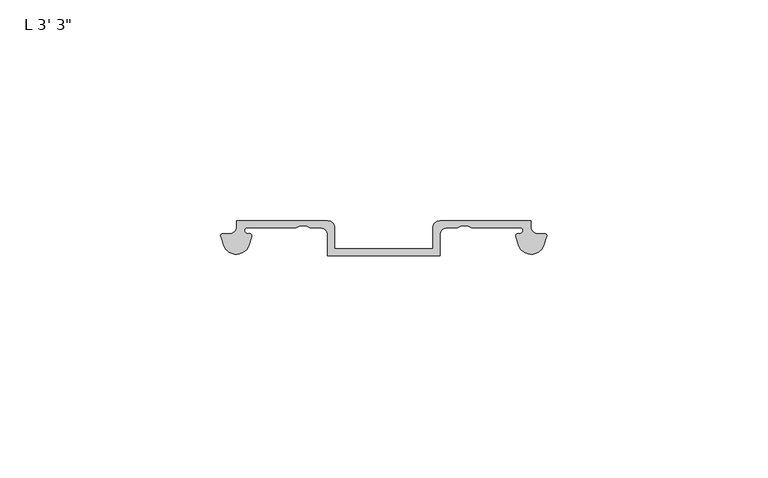
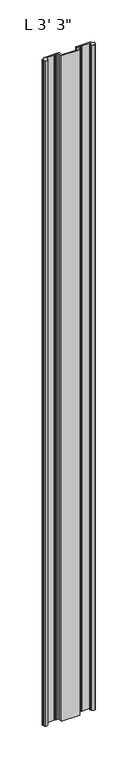
"""IFC4 building model written with IfcOpenShell, lengths in millimetres: proxy geometry."""

import ifcopenshell
import ifcopenshell.guid

model = None  # the IFC model being written
_history = None  # IfcOwnerHistory: only IFC2X3 demands one
_inside = {}  # id of a spatial element -> (the spatial element, [elements in it])
_under = {}  # id of a project, library or spatial element -> (it, [spatial elements below it])
_declared = {}  # id of a project -> (the project, [libraries it declares])
_typed = {}  # id of a type object -> (the type object, [elements of that type])
_made_of = {}  # id of a material, layer set ... -> (it, [elements and type objects made of it])


def new_model(schema):
    """Start an empty IFC model of exactly this schema.

    Asked for "IFC4X3", IfcOpenShell would pick the latest addendum, in which some entities
    have other attributes; the version numbers below select the first issue.
    IFC2X3 requires an IfcOwnerHistory on every rooted entity: one is made here for all.
    """
    global model, _history
    if schema == "IFC4X3":
        model = ifcopenshell.file(schema_version=(4, 3, 0, 0))
    else:
        model = ifcopenshell.file(schema=schema)
    _inside.clear()
    _under.clear()
    _declared.clear()
    _typed.clear()
    _made_of.clear()
    _history = None
    if model.schema == "IFC2X3":
        org = make("IfcOrganization", Name="unknown")
        user = make(
            "IfcPersonAndOrganization",
            ThePerson=make("IfcPerson", FamilyName="unknown"),
            TheOrganization=org,
        )
        app = make(
            "IfcApplication",
            ApplicationDeveloper=org,
            Version="unknown",
            ApplicationFullName="unknown",
            ApplicationIdentifier="unknown",
        )
        _history = make(
            "IfcOwnerHistory",
            OwningUser=user,
            OwningApplication=app,
            ChangeAction="ADDED",
            CreationDate=0,
        )
    return model


def make(cls, **values):
    """One entity of the class cls with the attributes given. An attribute that is None is left unset."""
    return model.create_entity(
        cls, **{name: value for name, value in values.items() if value is not None}
    )


def rooted(cls, **values):
    """An entity with a GlobalId (a new one), such as an element, a storey or a relation."""
    return make(cls, GlobalId=ifcopenshell.guid.new(), OwnerHistory=_history, **values)


def si_unit(unit_type, name, prefix=None):
    """IfcSIUnit, for example si_unit("LENGTHUNIT", "METRE", prefix="MILLI")."""
    return make("IfcSIUnit", UnitType=unit_type, Prefix=prefix, Name=name)


def assignment(units):
    """IfcUnitAssignment: the units of a project."""
    return None if units is None else make("IfcUnitAssignment", Units=units)


def point(xyz):
    """IfcCartesianPoint."""
    return None if xyz is None else make("IfcCartesianPoint", Coordinates=xyz)


def direction(xyz):
    """IfcDirection."""
    return None if xyz is None else make("IfcDirection", DirectionRatios=xyz)


def frame(location, z_axis=None, x_axis=None):
    """IfcAxis2Placement3D, a coordinate frame: its origin and axes. An axis left out is left unset."""
    return make(
        "IfcAxis2Placement3D",
        Location=point(location),
        Axis=direction(z_axis),
        RefDirection=direction(x_axis),
    )


def frame_2d(location, x_axis=None):
    """IfcAxis2Placement2D, a coordinate frame in the plane: its origin and x axis."""
    return make(
        "IfcAxis2Placement2D", Location=point(location), RefDirection=direction(x_axis)
    )


def origin():
    """The frame at (0, 0, 0) with its axes left unset."""
    return frame((0.0, 0.0, 0.0))


def origin_with_axes():
    """The frame at (0, 0, 0) with the z axis (0, 0, 1) and the x axis (1, 0, 0) written out."""
    return frame((0.0, 0.0, 0.0), z_axis=(0.0, 0.0, 1.0), x_axis=(1.0, 0.0, 0.0))


def place(relative_to, where):
    """IfcLocalPlacement: puts the frame where relative to a parent placement (None: the world)."""
    return make(
        "IfcLocalPlacement", PlacementRelTo=relative_to, RelativePlacement=where
    )


def context(
    kind, dimensions, precision=None, world=None, true_north=None, identifier=None
):
    """IfcGeometricRepresentationContext, for example the 3D "Model" context."""
    return make(
        "IfcGeometricRepresentationContext",
        ContextIdentifier=identifier,
        ContextType=kind,
        CoordinateSpaceDimension=dimensions,
        Precision=precision,
        WorldCoordinateSystem=world,
        TrueNorth=true_north,
    )


def project(units=None, contexts=None):
    """IfcProject with its units and contexts."""
    return rooted(
        "IfcProject",
        Name="project",
        RepresentationContexts=contexts,
        UnitsInContext=assignment(units),
    )


def spatial(cls, under=None, at=None, **own):
    """A site, building, storey or space (cls), placed at a placement, below another one or the project."""
    s = rooted(cls, ObjectPlacement=at, **own)
    if under is not None:
        _under.setdefault(under.id(), (under, []))[1].append(s)
    return s


def polyline(points):
    """IfcPolyline through the points."""
    return make("IfcPolyline", Points=[point(p) for p in points])


def circle_curve(where, radius):
    """IfcCircle in the frame where."""
    return make("IfcCircle", Position=where, Radius=radius)


def trimmed(basis, trim1, trim2, sense, master):
    """IfcTrimmedCurve: the piece of a basis curve between two trims."""
    return make(
        "IfcTrimmedCurve",
        BasisCurve=basis,
        Trim1=trim1,
        Trim2=trim2,
        SenseAgreement=sense,
        MasterRepresentation=master,
    )


def segment(curve, same_sense, transition):
    """IfcCompositeCurveSegment."""
    return make(
        "IfcCompositeCurveSegment",
        Transition=transition,
        SameSense=same_sense,
        ParentCurve=curve,
    )


def composite_curve(segments, self_intersect=None):
    """IfcCompositeCurve: segments joined end to end."""
    return make("IfcCompositeCurve", Segments=segments, SelfIntersect=self_intersect)


def outline(outer, holes=None, kind="AREA"):
    """IfcArbitraryClosedProfileDef: a profile drawn as a closed curve; with holes, ...WithVoids."""
    if holes is None:
        return make("IfcArbitraryClosedProfileDef", ProfileType=kind, OuterCurve=outer)
    return make(
        "IfcArbitraryProfileDefWithVoids",
        ProfileType=kind,
        OuterCurve=outer,
        InnerCurves=holes,
    )


def extrude(swept, where, along, depth):
    """IfcExtrudedAreaSolid: the profile swept, set in the frame where, extruded along a direction by depth."""
    return make(
        "IfcExtrudedAreaSolid",
        SweptArea=swept,
        Position=where,
        ExtrudedDirection=direction(along),
        Depth=depth,
    )


def shape(context_of_items, identifier, shape_type, items):
    """IfcShapeRepresentation: the items that make up one representation, for example the "Body"."""
    return make(
        "IfcShapeRepresentation",
        ContextOfItems=context_of_items,
        RepresentationIdentifier=identifier,
        RepresentationType=shape_type,
        Items=items,
    )


def source(mapping_origin, context_of_items, identifier, shape_type, items):
    """IfcRepresentationMap: a shape defined once, which mapped items show again and again."""
    return make(
        "IfcRepresentationMap",
        MappingOrigin=mapping_origin,
        MappedRepresentation=shape(context_of_items, identifier, shape_type, items),
    )


def transform(
    local_origin,
    x_axis=None,
    y_axis=None,
    z_axis=None,
    scale=None,
    scale2=None,
    scale3=None,
    uniform=True,
):
    """IfcCartesianTransformationOperator3D, or its non-uniform kind. x_axis, y_axis, z_axis: its Axis1, 2, 3."""
    if uniform:
        return make(
            "IfcCartesianTransformationOperator3D",
            Axis1=direction(x_axis),
            Axis2=direction(y_axis),
            LocalOrigin=point(local_origin),
            Scale=scale,
            Axis3=direction(z_axis),
        )
    return make(
        "IfcCartesianTransformationOperator3DnonUniform",
        Axis1=direction(x_axis),
        Axis2=direction(y_axis),
        LocalOrigin=point(local_origin),
        Scale=scale,
        Axis3=direction(z_axis),
        Scale2=scale2,
        Scale3=scale3,
    )


def mapped(mapping_source, mapping_target):
    """IfcMappedItem: shows the shape of a source again, moved by a transform."""
    return make(
        "IfcMappedItem", MappingSource=mapping_source, MappingTarget=mapping_target
    )


def made_of(thing, what):
    """Note that an element or type object is made of a material, layer set ...; save() writes the relation."""
    if what is not None:
        _made_of.setdefault(what.id(), (what, []))[1].append(thing)
    return thing


def element(
    cls,
    number,
    at=None,
    inside=None,
    cuts=None,
    type_object=None,
    material=None,
    context=None,
    identifier="Body",
    shape_type=None,
    held_by="IfcProductDefinitionShape",
    body=None,
    shapes=None,
    **own,
):
    """One element of the class cls, such as IfcWall. Its Tag is "e" and its number.

    at: its placement. inside: the storey or other place that contains it. cuts: it is an
    opening in that element (IfcRelVoidsElement). A single representation is given by context,
    identifier, shape_type and body (its items); several are given by shapes. held_by: the class
    of the entity that holds the representations. save() writes the other relations.
    """
    e = rooted(cls, Tag="e%d" % number, ObjectPlacement=at, **own)
    if body is not None:
        shapes = [shape(context, identifier, shape_type, body)]
    if shapes is not None:
        e.Representation = make(held_by, Representations=shapes)
    if inside is not None:
        _inside.setdefault(inside.id(), (inside, []))[1].append(e)
    if cuts is not None:
        rooted(
            "IfcRelVoidsElement", RelatingBuildingElement=cuts, RelatedOpeningElement=e
        )
    if type_object is not None:
        _typed.setdefault(type_object.id(), (type_object, []))[1].append(e)
    return made_of(e, material)


def aggregate(whole, parts):
    """IfcRelAggregates: a whole, such as a stair, and the parts it consists of."""
    return rooted("IfcRelAggregates", RelatingObject=whole, RelatedObjects=parts)


def save(model, path):
    """Write the relations noted so far, then the file.

    IfcRelAggregates (storeys below a building ...), IfcRelContainedInSpatialStructure (elements
    in a storey), IfcRelDefinesByType, IfcRelAssociatesMaterial and IfcRelDeclares: one each for
    every whole, place, type object, material and project.
    """
    for whole, parts in _under.values():
        aggregate(whole, parts)
    for where, things in _inside.values():
        rooted(
            "IfcRelContainedInSpatialStructure",
            RelatedElements=things,
            RelatingStructure=where,
        )
    for kind, things in _typed.values():
        rooted("IfcRelDefinesByType", RelatedObjects=things, RelatingType=kind)
    for what, things in _made_of.values():
        rooted("IfcRelAssociatesMaterial", RelatedObjects=things, RelatingMaterial=what)
    for by, libraries in _declared.values():
        rooted("IfcRelDeclares", RelatingContext=by, RelatedDefinitions=libraries)
    model.write(path)


def proxy_7aef16ee(model_context):
    return source(origin(), model_context, "Body", "SweptSolid", [
        extrude(outline(composite_curve([segment(trimmed(circle_curve(frame_2d((70.2720899, 3.4356808)), 3.048), [point((73.1816666, 2.5275687))], [point((71.8595899, 0.8337301))], False, "CARTESIAN"), True, "CONTINUOUS"), segment(trimmed(circle_curve(frame_2d((70.2720899, 3.4356808)), 3.048), [point((71.8595899, 0.8337301))], [point((67.3625133, 2.5275687))], False, "CARTESIAN"), True, "CONTINUOUS"), segment(polyline([(67.3625133, 2.5275687), (66.8018542, 4.3239113)]), True, "CONTINUOUS"), segment(trimmed(circle_curve(frame_2d((67.3405556, 4.5120238)), 0.5706009), [point((66.8018542, 4.3239113))], [point((67.4796278, 5.0654173))], False, "CARTESIAN"), True, "CONTINUOUS"), segment(trimmed(circle_curve(frame_2d((67.6653497, 5.8044378)), 0.762), [point((67.4796278, 5.0654173))], [point((68.4270691, 5.8251166))], True, "CARTESIAN"), True, "CONTINUOUS"), segment(trimmed(circle_curve(frame_2d((67.9193497, 5.842)), 0.508), [point((68.4270691, 5.8251166))], [point((67.9193497, 6.35))], True, "CARTESIAN"), True, "CONTINUOUS"), segment(polyline([(67.9193497, 6.35), (56.7317377, 6.35), (55.8143181, 6.8591639), (54.4741573, 6.8591639), (53.5567377, 6.35), (51.1781092, 6.35)]), True, "CONTINUOUS"), segment(trimmed(circle_curve(frame_2d((51.1781092, 4.7625)), 1.5875), [point((51.1781092, 6.35))], [point((49.5906092, 4.7625))], True, "CARTESIAN"), True, "CONTINUOUS"), segment(polyline([(49.5906092, 4.7625), (49.5906092, 0.0), (24.1637653, 0.0), (24.1637653, 4.7625)]), True, "CONTINUOUS"), segment(trimmed(circle_curve(frame_2d((22.5762653, 4.7625)), 1.5875), [point((24.1637653, 4.7625))], [point((22.5762653, 6.35))], True, "CARTESIAN"), True, "CONTINUOUS"), segment(polyline([(22.5762653, 6.35), (20.1976368, 6.35), (19.2802172, 6.8591639), (17.9400565, 6.8591639), (17.0226368, 6.35), (5.8350248, 6.35)]), True, "CONTINUOUS"), segment(trimmed(circle_curve(frame_2d((5.8350248, 5.842)), 0.508), [point((5.8350248, 6.35))], [point((5.3273054, 5.8251166))], True, "CARTESIAN"), True, "CONTINUOUS"), segment(trimmed(circle_curve(frame_2d((6.0890248, 5.8044378)), 0.762), [point((5.3273054, 5.8251166))], [point((6.2747467, 5.0654173))], True, "CARTESIAN"), True, "CONTINUOUS"), segment(trimmed(circle_curve(frame_2d((6.413819, 4.5120238)), 0.5706009), [point((6.2747467, 5.0654173))], [point((6.9525203, 4.3239113))], False, "CARTESIAN"), True, "CONTINUOUS"), segment(polyline([(6.9525203, 4.3239113), (6.3918613, 2.5275687)]), True, "CONTINUOUS"), segment(trimmed(circle_curve(frame_2d((3.4822846, 3.4356808)), 3.048), [point((6.3918613, 2.5275687))], [point((1.8947846, 0.8337301))], False, "CARTESIAN"), True, "CONTINUOUS"), segment(trimmed(circle_curve(frame_2d((3.4822846, 3.4356808)), 3.048), [point((1.8947846, 0.8337301))], [point((0.5727079, 2.5275687))], False, "CARTESIAN"), True, "CONTINUOUS"), segment(polyline([(0.5727079, 2.5275687), (0.0, 4.3625158)]), True, "CONTINUOUS"), segment(trimmed(circle_curve(frame_2d((0.4199147, 4.5728088)), 0.4696291), [point((0.0, 4.3625158))], [point((0.4199147, 5.0424378))], False, "CARTESIAN"), True, "CONTINUOUS"), segment(polyline([(0.4199147, 5.0424378), (1.9615248, 5.0424378)]), True, "CONTINUOUS"), segment(trimmed(circle_curve(frame_2d((1.9615248, 6.6299378)), 1.5875), [point((1.9615248, 5.0424378))], [point((3.5490248, 6.6299378))], True, "CARTESIAN"), True, "CONTINUOUS"), segment(polyline([(3.5490248, 6.6299378), (3.5490248, 7.9375), (24.1865248, 7.9375)]), True, "CONTINUOUS"), segment(trimmed(circle_curve(frame_2d((24.1865248, 6.35)), 1.5875), [point((24.1865248, 7.9375))], [point((25.7740248, 6.35))], False, "CARTESIAN"), True, "CONTINUOUS"), segment(polyline([(25.7740248, 6.35), (25.7740248, 1.5875), (47.9803497, 1.5875), (47.9803497, 6.35)]), True, "CONTINUOUS"), segment(trimmed(circle_curve(frame_2d((49.5678497, 6.35)), 1.5875), [point((47.9803497, 6.35))], [point((49.5678497, 7.9375))], False, "CARTESIAN"), True, "CONTINUOUS"), segment(polyline([(49.5678497, 7.9375), (70.2053497, 7.9375), (70.2053497, 6.6299378)]), True, "CONTINUOUS"), segment(trimmed(circle_curve(frame_2d((71.7928497, 6.6299378)), 1.5875), [point((70.2053497, 6.6299378))], [point((71.7928497, 5.0424378))], True, "CARTESIAN"), True, "CONTINUOUS"), segment(polyline([(71.7928497, 5.0424378), (73.3344599, 5.0424378)]), True, "CONTINUOUS"), segment(trimmed(circle_curve(frame_2d((73.3344599, 4.5728088)), 0.4696291), [point((73.3344599, 5.0424378))], [point((73.7543745, 4.3625158))], False, "CARTESIAN"), True, "CONTINUOUS"), segment(polyline([(73.7543745, 4.3625158), (73.1816666, 2.5275687)]), True, "CONTINUOUS")], self_intersect=False)), origin_with_axes(), (0.0, 0.0, 1.0), 990.6),
    ])


if __name__ == "__main__":
    model = new_model("IFC4")
    model_context = context("Model", 3, world=origin())
    ifc_project = project(units=[si_unit("LENGTHUNIT", "METRE", prefix="MILLI")], contexts=[model_context])
    site = spatial("IfcSite", under=ifc_project)
    building = spatial("IfcBuilding", under=site)
    placement = place(None, origin())
    proxy_shape = proxy_7aef16ee(model_context)
    element("IfcBuildingElementProxy", 1, Name="L 3' 3\"", ObjectType="L 3' 3\"", at=placement, inside=building, context=model_context, shape_type="MappedRepresentation", body=[
        mapped(proxy_shape, transform((0.0, 0.0, 0.0), x_axis=(1.0, 0.0, 0.0), y_axis=(0.0, 1.0, 0.0), z_axis=(0.0, 0.0, 1.0))),
    ])
    save(model, "model.ifc")
